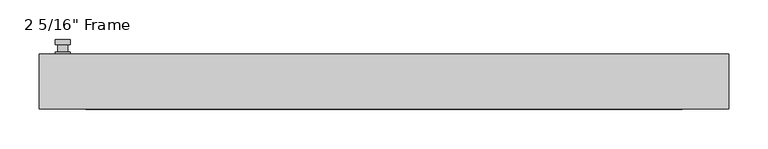
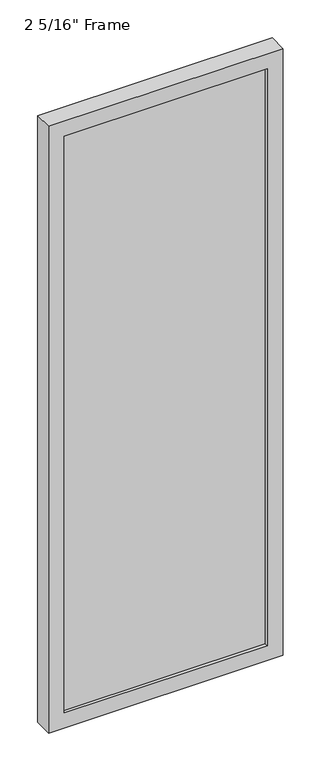
"""IFC4 building model written with IfcOpenShell, lengths in millimetres: plate geometry."""

from ifc_helpers import new_model, si_unit, frame, origin, place, context, project, spatial, polyline, circle_curve, outline, extrude, faceted_brep, source, transform, mapped, element, save
from ifc_brep_helpers import plane_surface, cylinder_surface, advanced_brep


def plate_959495d3(model_context):
    return source(origin(), model_context, "Body", "SolidModel", [
        advanced_brep(
        [(-398.4625, 34.925, 927.1), (-417.5125, 34.925, 927.1), (-417.5125, 34.925, 901.7), (-398.4625, 34.925, 901.7), (-401.6375, 47.625, 914.4), (-401.6375, 38.1, 914.4), (-414.3375, 38.1, 914.4), (-414.3375, 47.625, 914.4), (-398.4625, 47.625, 914.4), (-417.5125, 47.625, 914.4), (-414.3334644, 47.625, 825.2736467), (-401.6415356, 47.625, 825.2736467), (-398.4625, 53.975, 914.4), (-401.6415356, 53.975, 825.2736467), (-414.3334644, 53.975, 825.2736467), (-417.5125, 53.975, 914.4), (-398.4625, 38.1, 927.1), (-398.4625, 38.1, 901.7), (-417.5125, 38.1, 901.7), (-417.5125, 38.1, 927.1)],
        [
            (0, 1, circle_curve(frame((-407.9875, 34.925, 927.1), z_axis=(0.0, -1.0, 0.0), x_axis=(-1.0, 0.0, 0.0)), 9.525)),
            (1, 2),
            (2, 3, circle_curve(frame((-407.9875, 34.925, 901.7), z_axis=(0.0, -1.0, 0.0), x_axis=(-1.0, 0.0, 0.0)), 9.525)),
            (3, 0),
            (4, 5),
            (5, 6, circle_curve(frame((-407.9875, 38.1, 914.4), z_axis=(0.0, 1.0, 0.0), x_axis=(-1.0, 0.0, 0.0)), 6.35)),
            (6, 7),
            (7, 4, circle_curve(frame((-407.9875, 47.625, 914.4), z_axis=(0.0, -1.0, 0.0), x_axis=(-1.0, 0.0, 0.0)), 6.35)),
            (6, 5, circle_curve(frame((-407.9875, 38.1, 914.4), z_axis=(0.0, 1.0, 0.0), x_axis=(-1.0, 0.0, 0.0)), 6.35)),
            (4, 7, circle_curve(frame((-407.9875, 47.625, 914.4), z_axis=(0.0, -1.0, 0.0), x_axis=(-1.0, 0.0, 0.0)), 6.35)),
            (8, 9, circle_curve(frame((-407.9875, 47.625, 914.4), z_axis=(0.0, -1.0, 0.0), x_axis=(-1.0, 0.0, 0.0)), 9.525)),
            (9, 10),
            (10, 11, circle_curve(frame((-407.9875, 47.625, 825.5), z_axis=(0.0, -1.0, 0.0), x_axis=(-1.0, 0.0, 0.0)), 6.35)),
            (11, 8),
            (12, 13),
            (13, 14, circle_curve(frame((-407.9875, 53.975, 825.5), z_axis=(0.0, 1.0, 0.0), x_axis=(-1.0, 0.0, 0.0)), 6.35)),
            (14, 15),
            (15, 12, circle_curve(frame((-407.9875, 53.975, 914.4), z_axis=(0.0, 1.0, 0.0), x_axis=(-1.0, 0.0, 0.0)), 9.525)),
            (11, 13),
            (12, 8),
            (10, 14),
            (9, 15),
            (16, 17),
            (17, 18, circle_curve(frame((-407.9875, 38.1, 901.7), z_axis=(0.0, 1.0, 0.0), x_axis=(-1.0, 0.0, 0.0)), 9.525)),
            (18, 19),
            (19, 16, circle_curve(frame((-407.9875, 38.1, 927.1), z_axis=(0.0, 1.0, 0.0), x_axis=(-1.0, 0.0, 0.0)), 9.525)),
            (3, 17),
            (16, 0),
            (2, 18),
            (1, 19),
        ],
        [
            plane_surface(frame((-414.3375, 34.925, 914.4), z_axis=(0.0, -1.0, 0.0), x_axis=(0.0, 0.0, 1.0))),
            cylinder_surface(frame((-407.9875, 47.625, 914.4), z_axis=(0.0, -1.0, 0.0), x_axis=(-1.0, 0.0, 0.0)), 6.35),
            plane_surface(frame((-398.4625, 47.625, 914.4), z_axis=(0.0, -1.0000000000000002, 0.0), x_axis=(-0.03564619348186888, 0.0, -0.9993644724975235))),
            plane_surface(frame((-398.4625, 53.975, 914.4), z_axis=(0.0, 1.0000000000000002, 0.0), x_axis=(0.03564619348186888, 0.0, 0.9993644724975235))),
            plane_surface(frame((-398.4625, 47.625, 914.4), z_axis=(0.9993644724975235, 0.0, -0.03564619348186888), x_axis=(0.0, 1.0, 0.0))),
            cylinder_surface(frame((-407.9875, 53.975, 825.5), z_axis=(0.0, -1.0, 0.0), x_axis=(-1.0, 0.0, 0.0)), 6.35),
            plane_surface(frame((-414.3334644, 47.625, 825.2736467), z_axis=(-0.9993644724975228, 0.0, -0.03564619348188612), x_axis=(0.0, 1.0, 0.0))),
            cylinder_surface(frame((-407.9875, 53.975, 914.4), z_axis=(0.0, -1.0, 0.0), x_axis=(-1.0, 0.0, 0.0)), 9.525),
            plane_surface(frame((-398.4625, 38.1, 901.7), z_axis=(0.0, 1.0, 0.0), x_axis=(0.0, 0.0, 1.0))),
            plane_surface(frame((-398.4625, 34.925, 927.1), z_axis=(1.0, 0.0, 0.0), x_axis=(0.0, 1.0, 0.0))),
            cylinder_surface(frame((-407.9875, 38.1, 901.7), z_axis=(0.0, -1.0, 0.0), x_axis=(-1.0, 0.0, 0.0)), 9.525),
            plane_surface(frame((-417.5125, 34.925, 901.7), z_axis=(-1.0, 0.0, 0.0), x_axis=(0.0, 1.0, 0.0))),
            cylinder_surface(frame((-407.9875, 38.1, 927.1), z_axis=(0.0, -1.0, 0.0), x_axis=(-1.0, 0.0, 0.0)), 9.525),
        ],
        [
            (0, [[1, 2, 3, 4]]),
            (1, [[5, 6, 7, 8]]),
            (1, [[-7, 9, -5, 10]]),
            (2, [[11, 12, 13, 14], [-10, -8]]),
            (3, [[15, 16, 17, 18]]),
            (4, [[19, -15, 20, -14]]),
            (5, [[21, -16, -19, -13]]),
            (6, [[22, -17, -21, -12]]),
            (7, [[-20, -18, -22, -11]]),
            (8, [[23, 24, 25, 26], [-9, -6]]),
            (9, [[27, -23, 28, -4]]),
            (10, [[29, -24, -27, -3]]),
            (11, [[30, -25, -29, -2]]),
            (12, [[-28, -26, -30, -1]]),
        ],
    ),
        faceted_brep([(-437.35625, 34.925, 0.0), (437.35625, 34.925, 0.0), (437.35625, -34.925, 0.0), (-437.35625, -34.925, 0.0), (-378.61875, -34.925, 2332.0375), (-378.61875, -34.925, 58.7375), (-378.61875, -22.225, 58.7375), (-378.61875, -22.225, 2332.0375), (391.31875, -22.225, 2344.7375), (391.31875, -22.225, 46.0375), (-391.31875, -22.225, 46.0375), (-391.31875, -22.225, 2344.7375), (378.61875, -22.225, 58.7375), (378.61875, -22.225, 2332.0375), (-391.31875, 1.5875, 46.0375), (-391.31875, 1.5875, 2344.7375), (391.31875, 1.5875, 46.0375), (391.31875, 1.5875, 2344.7375), (-378.61875, 1.5875, 2332.0375), (378.61875, 1.5875, 2332.0375), (378.61875, 1.5875, 58.7375), (-378.61875, 1.5875, 58.7375), (-378.61875, 34.925, 58.7375), (-378.61875, 34.925, 2332.0375), (-437.35625, 34.925, 2390.775), (437.35625, 34.925, 2390.775), (378.61875, 34.925, 58.7375), (378.61875, 34.925, 2332.0375), (-437.35625, -34.925, 2390.775), (437.35625, -34.925, 2390.775), (378.61875, -34.925, 2332.0375), (378.61875, -34.925, 58.7375)], [[[0, 1, 2, 3]], [[4, 5, 6, 7]], [[8, 9, 10, 11], [7, 6, 12, 13]], [[10, 14, 15, 11]], [[15, 14, 16, 17], [18, 19, 20, 21]], [[18, 21, 22, 23]], [[0, 24, 25, 1], [23, 22, 26, 27]], [[3, 28, 24, 0]], [[2, 29, 28, 3], [4, 30, 31, 5]], [[7, 13, 30, 4]], [[11, 15, 17, 8]], [[18, 23, 27, 19]], [[24, 28, 29, 25]], [[13, 12, 31, 30]], [[16, 9, 8, 17]], [[27, 26, 20, 19]], [[25, 29, 2, 1]], [[22, 21, 20, 26]], [[9, 16, 14, 10]], [[6, 5, 31, 12]]]),
        extrude(outline(polyline([(391.31875, 1.5875), (391.31875, -22.225), (-391.31875, -22.225), (-391.31875, 1.5875), (391.31875, 1.5875)])), frame((0.0, 0.0, 46.0375), z_axis=(0.0, 0.0, 1.0), x_axis=(1.0, 0.0, 0.0)), (0.0, 0.0, 1.0), 2298.7),
    ])


if __name__ == "__main__":
    model = new_model("IFC4")
    model_context = context("Model", 3, world=origin())
    ifc_project = project(units=[si_unit("LENGTHUNIT", "METRE", prefix="MILLI")], contexts=[model_context])
    site = spatial("IfcSite", under=ifc_project)
    building = spatial("IfcBuilding", under=site)
    placement = place(None, origin())
    plate_shape = plate_959495d3(model_context)
    element("IfcPlate", 1, ObjectType="2 5/16\" Frame", at=placement, inside=building, context=model_context, shape_type="MappedRepresentation", body=[
        mapped(plate_shape, transform((0.0, 0.0, 0.0), x_axis=(1.0, 0.0, 0.0), y_axis=(0.0, 1.0, 0.0), z_axis=(0.0, 0.0, 1.0))),
    ])
    save(model, "model.ifc")
